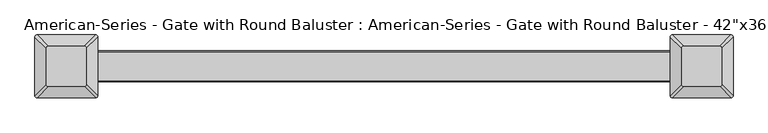
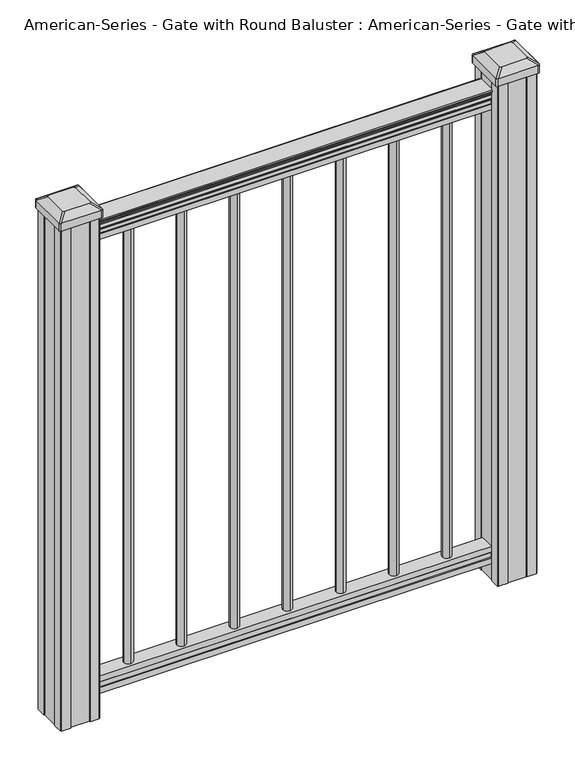
"""IFC4 building model written with IfcOpenShell, lengths in millimetres: proxy geometry."""

from ifc_helpers import new_model, si_unit, point, frame, frame_2d, origin, origin_2d, place, context, project, spatial, polyline, circle_curve, trimmed, segment, composite_curve, outline, extrude, source, transform, mapped, element, save
from ifc_brep_helpers import plane_surface, extruded_surface, advanced_brep


def proxy_5b96a057(model_context):
    return source(origin(), model_context, "Body", "SolidModel", [
        extrude(outline(composite_curve([segment(trimmed(circle_curve(frame_2d((222.25, 0.0)), 9.525), [point((222.25, 9.525))], [point((231.775, 0.0))], False, "CARTESIAN"), True, "CONTINUOUS"), segment(trimmed(circle_curve(frame_2d((222.25, 0.0)), 9.525), [point((231.775, 0.0))], [point((222.25, -9.525))], False, "CARTESIAN"), True, "CONTINUOUS"), segment(trimmed(circle_curve(frame_2d((222.25, 0.0)), 9.525), [point((222.25, -9.525))], [point((212.725, 0.0))], False, "CARTESIAN"), True, "CONTINUOUS"), segment(trimmed(circle_curve(frame_2d((222.25, 0.0)), 9.525), [point((212.725, 0.0))], [point((222.25, 9.525))], False, "CARTESIAN"), True, "CONTINUOUS")], self_intersect=False)), frame((0.0, 0.0, 101.6), z_axis=(0.0, 0.0, 1.0), x_axis=(1.0, 0.0, 0.0)), (0.0, 0.0, 1.0), 965.2),
        extrude(outline(composite_curve([segment(trimmed(circle_curve(frame_2d((111.125, 0.0)), 9.525), [point((111.125, 9.525))], [point((120.65, 0.0))], False, "CARTESIAN"), True, "CONTINUOUS"), segment(trimmed(circle_curve(frame_2d((111.125, 0.0)), 9.525), [point((120.65, 0.0))], [point((111.125, -9.525))], False, "CARTESIAN"), True, "CONTINUOUS"), segment(trimmed(circle_curve(frame_2d((111.125, 0.0)), 9.525), [point((111.125, -9.525))], [point((101.6, 0.0))], False, "CARTESIAN"), True, "CONTINUOUS"), segment(trimmed(circle_curve(frame_2d((111.125, 0.0)), 9.525), [point((101.6, 0.0))], [point((111.125, 9.525))], False, "CARTESIAN"), True, "CONTINUOUS")], self_intersect=False)), frame((0.0, 0.0, 101.6), z_axis=(0.0, 0.0, 1.0), x_axis=(1.0, 0.0, 0.0)), (0.0, 0.0, 1.0), 965.2),
        extrude(outline(composite_curve([segment(trimmed(circle_curve(origin_2d(), 9.525), [point((0.0, 9.525))], [point((9.525, 0.0))], False, "CARTESIAN"), True, "CONTINUOUS"), segment(trimmed(circle_curve(origin_2d(), 9.525), [point((9.525, 0.0))], [point((0.0, -9.525))], False, "CARTESIAN"), True, "CONTINUOUS"), segment(trimmed(circle_curve(origin_2d(), 9.525), [point((0.0, -9.525))], [point((-9.525, 0.0))], False, "CARTESIAN"), True, "CONTINUOUS"), segment(trimmed(circle_curve(origin_2d(), 9.525), [point((-9.525, 0.0))], [point((0.0, 9.525))], False, "CARTESIAN"), True, "CONTINUOUS")], self_intersect=False)), frame((0.0, 0.0, 101.6), z_axis=(0.0, 0.0, 1.0), x_axis=(1.0, 0.0, 0.0)), (0.0, 0.0, 1.0), 965.2),
        extrude(outline(composite_curve([segment(trimmed(circle_curve(frame_2d((-111.125, 0.0)), 9.525), [point((-111.125, 9.525))], [point((-101.6, 0.0))], False, "CARTESIAN"), True, "CONTINUOUS"), segment(trimmed(circle_curve(frame_2d((-111.125, 0.0)), 9.525), [point((-101.6, 0.0))], [point((-111.125, -9.525))], False, "CARTESIAN"), True, "CONTINUOUS"), segment(trimmed(circle_curve(frame_2d((-111.125, 0.0)), 9.525), [point((-111.125, -9.525))], [point((-120.65, 0.0))], False, "CARTESIAN"), True, "CONTINUOUS"), segment(trimmed(circle_curve(frame_2d((-111.125, 0.0)), 9.525), [point((-120.65, 0.0))], [point((-111.125, 9.525))], False, "CARTESIAN"), True, "CONTINUOUS")], self_intersect=False)), frame((0.0, 0.0, 101.6), z_axis=(0.0, 0.0, 1.0), x_axis=(1.0, 0.0, 0.0)), (0.0, 0.0, 1.0), 965.2),
        extrude(outline(composite_curve([segment(trimmed(circle_curve(frame_2d((-222.25, 0.0)), 9.525), [point((-222.25, 9.525))], [point((-212.725, 0.0))], False, "CARTESIAN"), True, "CONTINUOUS"), segment(trimmed(circle_curve(frame_2d((-222.25, 0.0)), 9.525), [point((-212.725, 0.0))], [point((-222.25, -9.525))], False, "CARTESIAN"), True, "CONTINUOUS"), segment(trimmed(circle_curve(frame_2d((-222.25, 0.0)), 9.525), [point((-222.25, -9.525))], [point((-231.775, 0.0))], False, "CARTESIAN"), True, "CONTINUOUS"), segment(trimmed(circle_curve(frame_2d((-222.25, 0.0)), 9.525), [point((-231.775, 0.0))], [point((-222.25, 9.525))], False, "CARTESIAN"), True, "CONTINUOUS")], self_intersect=False)), frame((0.0, 0.0, 101.6), z_axis=(0.0, 0.0, 1.0), x_axis=(1.0, 0.0, 0.0)), (0.0, 0.0, 1.0), 965.2),
        extrude(outline(composite_curve([segment(trimmed(circle_curve(frame_2d((333.375, 0.0)), 9.525), [point((333.375, 9.525))], [point((342.9, 0.0))], False, "CARTESIAN"), True, "CONTINUOUS"), segment(trimmed(circle_curve(frame_2d((333.375, 0.0)), 9.525), [point((342.9, 0.0))], [point((333.375, -9.525))], False, "CARTESIAN"), True, "CONTINUOUS"), segment(trimmed(circle_curve(frame_2d((333.375, 0.0)), 9.525), [point((333.375, -9.525))], [point((323.85, 0.0))], False, "CARTESIAN"), True, "CONTINUOUS"), segment(trimmed(circle_curve(frame_2d((333.375, 0.0)), 9.525), [point((323.85, 0.0))], [point((333.375, 9.525))], False, "CARTESIAN"), True, "CONTINUOUS")], self_intersect=False)), frame((0.0, 0.0, 101.6), z_axis=(0.0, 0.0, 1.0), x_axis=(1.0, 0.0, 0.0)), (0.0, 0.0, 1.0), 965.2),
        extrude(outline(composite_curve([segment(trimmed(circle_curve(frame_2d((-333.375, 0.0)), 9.525), [point((-333.375, 9.525))], [point((-323.85, 0.0))], False, "CARTESIAN"), True, "CONTINUOUS"), segment(trimmed(circle_curve(frame_2d((-333.375, 0.0)), 9.525), [point((-323.85, 0.0))], [point((-333.375, -9.525))], False, "CARTESIAN"), True, "CONTINUOUS"), segment(trimmed(circle_curve(frame_2d((-333.375, 0.0)), 9.525), [point((-333.375, -9.525))], [point((-342.9, 0.0))], False, "CARTESIAN"), True, "CONTINUOUS"), segment(trimmed(circle_curve(frame_2d((-333.375, 0.0)), 9.525), [point((-342.9, 0.0))], [point((-333.375, 9.525))], False, "CARTESIAN"), True, "CONTINUOUS")], self_intersect=False)), frame((0.0, 0.0, 101.6), z_axis=(0.0, 0.0, 1.0), x_axis=(1.0, 0.0, 0.0)), (0.0, 0.0, 1.0), 965.2),
        extrude(outline(composite_curve([segment(polyline([(1090.8043297, 17.4328287), (1092.692412, 17.4328287)]), True, "CONTINUOUS"), segment(trimmed(circle_curve(frame_2d((1098.4506383, 11.1180755)), 8.545951), [point((1092.692412, 17.4328287))], [point((1094.2546695, 18.563015))], False, "CARTESIAN"), True, "CONTINUOUS"), segment(trimmed(circle_curve(frame_2d((1097.8636577, 11.5551384)), 7.882584), [point((1094.2546695, 18.563015))], [point((1101.4726458, 18.563015))], False, "CARTESIAN"), True, "CONTINUOUS"), segment(trimmed(circle_curve(frame_2d((1103.7112527, 22.0684625)), 4.1592695), [point((1101.4726458, 18.563015))], [point((1103.9060812, 17.9137586))], True, "CARTESIAN"), True, "CONTINUOUS"), segment(trimmed(circle_curve(frame_2d((1103.6508864, 23.3557691)), 5.4479907), [point((1103.9060812, 17.9137586))], [point((1108.2362083, 20.4137586))], True, "CARTESIAN"), True, "CONTINUOUS"), segment(trimmed(circle_curve(frame_2d((1108.233395, 22.1226107)), 1.7088543), [point((1108.2362083, 20.4137586))], [point((1109.9157972, 21.8231011))], True, "CARTESIAN"), True, "CONTINUOUS"), segment(trimmed(circle_curve(frame_2d((1111.0205318, 20.5057106)), 1.7192895), [point((1109.9157972, 21.8231011))], [point((1111.0205318, 22.2250001))], False, "CARTESIAN"), True, "CONTINUOUS"), segment(polyline([(1111.0205318, 22.2250001), (1112.3608158, 22.225)]), True, "CONTINUOUS"), segment(trimmed(circle_curve(frame_2d((1112.3608158, 20.6715528)), 1.5534472), [point((1112.3608158, 22.225))], [point((1113.914263, 20.6715528))], False, "CARTESIAN"), True, "CONTINUOUS"), segment(polyline([(1113.914263, 20.6715528), (1113.914263, -20.6715528)]), True, "CONTINUOUS"), segment(trimmed(circle_curve(frame_2d((1112.3608158, -20.6715528)), 1.5534472), [point((1113.914263, -20.6715528))], [point((1112.3608158, -22.225))], False, "CARTESIAN"), True, "CONTINUOUS"), segment(polyline([(1112.3608158, -22.225), (1111.0205318, -22.225)]), True, "CONTINUOUS"), segment(trimmed(circle_curve(frame_2d((1111.0205318, -20.5057106)), 1.7192895), [point((1111.0205318, -22.225))], [point((1109.9157972, -21.8231011))], False, "CARTESIAN"), True, "CONTINUOUS"), segment(trimmed(circle_curve(frame_2d((1108.233395, -22.1226107)), 1.7088543), [point((1109.9157972, -21.8231011))], [point((1108.2362083, -20.4137586))], True, "CARTESIAN"), True, "CONTINUOUS"), segment(trimmed(circle_curve(frame_2d((1103.6508864, -23.3557691)), 5.4479907), [point((1108.2362083, -20.4137586))], [point((1103.9060812, -17.9137586))], True, "CARTESIAN"), True, "CONTINUOUS"), segment(trimmed(circle_curve(frame_2d((1103.7112527, -22.0684625)), 4.1592695), [point((1103.9060812, -17.9137586))], [point((1101.4726458, -18.563015))], True, "CARTESIAN"), True, "CONTINUOUS"), segment(trimmed(circle_curve(frame_2d((1097.8636577, -11.5551384)), 7.882584), [point((1101.4726458, -18.563015))], [point((1094.2546695, -18.563015))], False, "CARTESIAN"), True, "CONTINUOUS"), segment(trimmed(circle_curve(frame_2d((1098.4506383, -11.1180755)), 8.545951), [point((1094.2546695, -18.563015))], [point((1092.692412, -17.4328287))], False, "CARTESIAN"), True, "CONTINUOUS"), segment(polyline([(1092.692412, -17.4328287), (1090.8043297, -17.4328287)]), True, "CONTINUOUS"), segment(trimmed(circle_curve(frame_2d((1090.8043297, -16.1459144)), 1.2869144), [point((1090.8043297, -17.4328287))], [point((1090.8043297, -14.859))], False, "CARTESIAN"), True, "CONTINUOUS"), segment(polyline([(1090.8043297, -14.859), (1080.3048283, -14.859), (1079.2888283, -15.875), (1066.8, -15.875), (1066.8, 15.875), (1079.131013, 15.875), (1080.147013, 14.859), (1090.8043297, 14.859)]), True, "CONTINUOUS"), segment(trimmed(circle_curve(frame_2d((1090.8043297, 16.1459144)), 1.2869144), [point((1090.8043297, 14.859))], [point((1090.8043297, 17.4328287))], False, "CARTESIAN"), True, "CONTINUOUS")], self_intersect=False)), frame((457.2, 0.0, 0.0), z_axis=(-1.0, 0.0, 0.0), x_axis=(0.0, 0.0, 1.0)), (0.0, 0.0, 1.0), 914.4),
        extrude(outline(polyline([(-15.9124869, 76.0541976), (-14.8964869, 77.3546183), (-14.8964869, 87.7141717), (-15.9124869, 89.0624492), (-15.9124869, 101.5958781), (15.8375131, 101.5958781), (15.8375131, 89.0458024), (14.8215131, 87.6975248), (14.8215131, 77.3858283), (15.8375131, 76.0375508), (15.8375131, 63.5), (-15.9124869, 63.5), (-15.9124869, 76.0541976)])), frame((-457.2, 0.0, 0.0), z_axis=(1.0, 0.0, 0.0), x_axis=(0.0, 1.0, 0.0)), (0.0, 0.0, 1.0), 914.4),
        advanced_brep(
        [(431.403125, 28.971875, 1165.352), (428.228125, 25.796875, 1165.352), (428.228125, -25.796875, 1165.352), (431.403125, -28.971875, 1165.352), (482.996875, -28.971875, 1165.352), (486.171875, -25.796875, 1165.352), (486.171875, 25.796875, 1165.352), (482.996875, 28.971875, 1165.352), (415.13125, 45.24375, 1154.049), (499.26875, 45.24375, 1154.049), (502.44375, 42.06875, 1154.049), (502.44375, -42.06875, 1154.049), (499.26875, -45.24375, 1154.049), (415.13125, -45.24375, 1154.049), (411.95625, -42.06875, 1154.049), (411.95625, 42.06875, 1154.049)],
        [
            (0, 1, circle_curve(frame((431.403125, 25.796875, 1165.352), z_axis=(0.0, 0.0, 1.0), x_axis=(0.0, -1.0, 0.0)), 3.175)),
            (1, 2),
            (2, 3, circle_curve(frame((431.403125, -25.796875, 1165.352), z_axis=(0.0, 0.0, 1.0), x_axis=(0.0, -1.0, 0.0)), 3.175)),
            (3, 4),
            (4, 5, circle_curve(frame((482.996875, -25.796875, 1165.352), z_axis=(0.0, 0.0, 1.0), x_axis=(0.0, -1.0, 0.0)), 3.175)),
            (5, 6),
            (6, 7, circle_curve(frame((482.996875, 25.796875, 1165.352), z_axis=(0.0, 0.0, 1.0), x_axis=(0.0, -1.0, 0.0)), 3.175)),
            (7, 0),
            (8, 9),
            (9, 10, circle_curve(frame((499.26875, 42.06875, 1154.049), z_axis=(0.0, 0.0, -1.0), x_axis=(0.0, -1.0, 0.0)), 3.175)),
            (10, 11),
            (11, 12, circle_curve(frame((499.26875, -42.06875, 1154.049), z_axis=(0.0, 0.0, -1.0), x_axis=(0.0, -1.0, 0.0)), 3.175)),
            (12, 13),
            (13, 14, circle_curve(frame((415.13125, -42.06875, 1154.049), z_axis=(0.0, 0.0, -1.0), x_axis=(0.0, -1.0, 0.0)), 3.175)),
            (14, 15),
            (15, 8, circle_curve(frame((415.13125, 42.06875, 1154.049), z_axis=(0.0, 0.0, -1.0), x_axis=(0.0, -1.0, 0.0)), 3.175)),
            (15, 1),
            (0, 8),
            (14, 2),
            (13, 3),
            (12, 4),
            (11, 5),
            (10, 6),
            (9, 7),
        ],
        [
            plane_surface(frame((457.2, 0.0, 1165.352), z_axis=(0.0, 0.0, 1.0), x_axis=(-1.0, 0.0, 0.0))),
            plane_surface(frame((457.2, 0.0, 1154.049), z_axis=(0.0, 0.0, -1.0), x_axis=(-1.0, 0.0, 0.0))),
            extruded_surface(trimmed(circle_curve(frame((415.13125, 42.06875, 1154.049), z_axis=(0.0, 0.0, 1.0), x_axis=(0.0, -1.0, 0.0)), 3.175), [point((415.13125, 45.24375, 1154.049))], [point((411.95625, 42.06875, 1154.049))], True, "CARTESIAN"), (16.271874999999966, -16.271875, 11.303000000000111), 25.63797263886619),
            plane_surface(frame((411.95625, 0.0, 1154.049), z_axis=(-0.5705009161540777, 0.0, 0.8212969649690409), x_axis=(0.0, -1.0, 0.0))),
            extruded_surface(trimmed(circle_curve(frame((415.13125, -42.06875, 1154.049), z_axis=(0.0, 0.0, 1.0), x_axis=(0.0, -1.0, 0.0)), 3.175), [point((411.95625, -42.06875, 1154.049))], [point((415.13125, -45.24375, 1154.049))], True, "CARTESIAN"), (16.271874999999966, 16.271875, 11.303000000000111), 25.63797263886619),
            plane_surface(frame((457.2, -45.24375, 1154.049), z_axis=(0.0, -0.5705009161540291, 0.8212969649690747), x_axis=(1.0, 0.0, 0.0))),
            extruded_surface(trimmed(circle_curve(frame((499.26875, -42.06875, 1154.049), z_axis=(0.0, 0.0, 1.0), x_axis=(0.0, -1.0, 0.0)), 3.175), [point((499.26875, -45.24375, 1154.049))], [point((502.44375, -42.06875, 1154.049))], True, "CARTESIAN"), (-16.271875000000023, 16.271875, 11.303000000000111), 25.637972638866227),
            plane_surface(frame((502.44375, 0.0, 1154.049), z_axis=(0.5705009161540143, 0.0, 0.821296964969085), x_axis=(0.0, 1.0, 0.0))),
            extruded_surface(trimmed(circle_curve(frame((499.26875, 42.06875, 1154.049), z_axis=(0.0, 0.0, 1.0), x_axis=(0.0, -1.0, 0.0)), 3.175), [point((502.44375, 42.06875, 1154.049))], [point((499.26875, 45.24375, 1154.049))], True, "CARTESIAN"), (-16.271875000000023, -16.271875, 11.303000000000111), 25.637972638866227),
            plane_surface(frame((457.2, 45.24375, 1154.049), z_axis=(0.0, 0.570500916154034, 0.8212969649690713), x_axis=(-1.0, 0.0, 0.0))),
        ],
        [
            (0, [[1, 2, 3, 4, 5, 6, 7, 8]]),
            (1, [[9, 10, 11, 12, 13, 14, 15, 16]]),
            (2, [[-16, 17, -1, 18]]),
            (3, [[-15, 19, -2, -17]]),
            (4, [[-14, 20, -3, -19]]),
            (5, [[-13, 21, -4, -20]]),
            (6, [[-12, 22, -5, -21]]),
            (7, [[-11, 23, -6, -22]]),
            (8, [[-10, 24, -7, -23]]),
            (9, [[-9, -18, -8, -24]]),
        ],
    ),
        extrude(outline(composite_curve([segment(polyline([(415.13125, 45.24375), (499.26875, 45.24375)]), True, "CONTINUOUS"), segment(trimmed(circle_curve(frame_2d((499.26875, 42.06875)), 3.175), [point((499.26875, 45.24375))], [point((502.44375, 42.06875))], False, "CARTESIAN"), True, "CONTINUOUS"), segment(polyline([(502.44375, 42.06875), (502.44375, -42.06875)]), True, "CONTINUOUS"), segment(trimmed(circle_curve(frame_2d((499.26875, -42.06875)), 3.175), [point((502.44375, -42.06875))], [point((499.26875, -45.24375))], False, "CARTESIAN"), True, "CONTINUOUS"), segment(polyline([(499.26875, -45.24375), (415.13125, -45.24375)]), True, "CONTINUOUS"), segment(trimmed(circle_curve(frame_2d((415.13125, -42.06875)), 3.175), [point((415.13125, -45.24375))], [point((411.95625, -42.06875))], False, "CARTESIAN"), True, "CONTINUOUS"), segment(polyline([(411.95625, -42.06875), (411.95625, 42.06875)]), True, "CONTINUOUS"), segment(trimmed(circle_curve(frame_2d((415.13125, 42.06875)), 3.175), [point((411.95625, 42.06875))], [point((415.13125, 45.24375))], False, "CARTESIAN"), True, "CONTINUOUS")], self_intersect=False)), frame((0.0, 0.0, 1136.777), z_axis=(0.0, 0.0, 1.0), x_axis=(1.0, 0.0, 0.0)), (0.0, 0.0, 1.0), 17.272),
        extrude(outline(polyline([(417.5125, 41.275), (437.134, 41.275), (437.896, 39.6875), (476.504, 39.6875), (477.266, 41.275), (496.8875, 41.275), (498.475, 39.6875), (498.475, 20.066), (496.8875, 19.304), (496.8875, -19.304), (498.475, -20.066), (498.475, -39.6875), (496.8875, -41.275), (477.266, -41.275), (476.504, -39.6875), (437.896, -39.6875), (437.134, -41.275), (417.5125, -41.275), (415.925, -39.6875), (415.925, -20.066), (417.5125, -19.304), (417.5125, 19.304), (415.925, 20.066), (415.925, 39.6875), (417.5125, 41.275)])), frame((0.0, 0.0, 28.702), z_axis=(0.0, 0.0, 1.0), x_axis=(1.0, 0.0, 0.0)), (0.0, 0.0, 1.0), 1108.075),
        advanced_brep(
        [(-482.996875, 28.971875, 1165.352), (-486.171875, 25.796875, 1165.352), (-486.171875, -25.796875, 1165.352), (-482.996875, -28.971875, 1165.352), (-431.403125, -28.971875, 1165.352), (-428.228125, -25.796875, 1165.352), (-428.228125, 25.796875, 1165.352), (-431.403125, 28.971875, 1165.352), (-499.26875, 45.24375, 1154.049), (-415.13125, 45.24375, 1154.049), (-411.95625, 42.06875, 1154.049), (-411.95625, -42.06875, 1154.049), (-415.13125, -45.24375, 1154.049), (-499.26875, -45.24375, 1154.049), (-502.44375, -42.06875, 1154.049), (-502.44375, 42.06875, 1154.049)],
        [
            (0, 1, circle_curve(frame((-482.996875, 25.796875, 1165.352), z_axis=(0.0, 0.0, 1.0), x_axis=(0.0, -1.0, 0.0)), 3.175)),
            (1, 2),
            (2, 3, circle_curve(frame((-482.996875, -25.796875, 1165.352), z_axis=(0.0, 0.0, 1.0), x_axis=(0.0, -1.0, 0.0)), 3.175)),
            (3, 4),
            (4, 5, circle_curve(frame((-431.403125, -25.796875, 1165.352), z_axis=(0.0, 0.0, 1.0), x_axis=(0.0, -1.0, 0.0)), 3.175)),
            (5, 6),
            (6, 7, circle_curve(frame((-431.403125, 25.796875, 1165.352), z_axis=(0.0, 0.0, 1.0), x_axis=(0.0, -1.0, 0.0)), 3.175)),
            (7, 0),
            (8, 9),
            (9, 10, circle_curve(frame((-415.13125, 42.06875, 1154.049), z_axis=(0.0, 0.0, -1.0), x_axis=(0.0, -1.0, 0.0)), 3.175)),
            (10, 11),
            (11, 12, circle_curve(frame((-415.13125, -42.06875, 1154.049), z_axis=(0.0, 0.0, -1.0), x_axis=(0.0, -1.0, 0.0)), 3.175)),
            (12, 13),
            (13, 14, circle_curve(frame((-499.26875, -42.06875, 1154.049), z_axis=(0.0, 0.0, -1.0), x_axis=(0.0, -1.0, 0.0)), 3.175)),
            (14, 15),
            (15, 8, circle_curve(frame((-499.26875, 42.06875, 1154.049), z_axis=(0.0, 0.0, -1.0), x_axis=(0.0, -1.0, 0.0)), 3.175)),
            (15, 1),
            (0, 8),
            (14, 2),
            (13, 3),
            (12, 4),
            (11, 5),
            (10, 6),
            (9, 7),
        ],
        [
            plane_surface(frame((-457.2, 0.0, 1165.352), z_axis=(0.0, 0.0, 1.0), x_axis=(-1.0, 0.0, 0.0))),
            plane_surface(frame((-457.2, 0.0, 1154.049), z_axis=(0.0, 0.0, -1.0), x_axis=(-1.0, 0.0, 0.0))),
            extruded_surface(trimmed(circle_curve(frame((-499.26875, 42.06875, 1154.049), z_axis=(0.0, 0.0, 1.0), x_axis=(0.0, -1.0, 0.0)), 3.175), [point((-499.26875, 45.24375, 1154.049))], [point((-502.44375, 42.06875, 1154.049))], True, "CARTESIAN"), (16.271875000000023, -16.271875, 11.303000000000111), 25.637972638866227),
            plane_surface(frame((-502.44375, 0.0, 1154.049), z_axis=(-0.5705009161540777, 0.0, 0.8212969649690409), x_axis=(0.0, -1.0, 0.0))),
            extruded_surface(trimmed(circle_curve(frame((-499.26875, -42.06875, 1154.049), z_axis=(0.0, 0.0, 1.0), x_axis=(0.0, -1.0, 0.0)), 3.175), [point((-502.44375, -42.06875, 1154.049))], [point((-499.26875, -45.24375, 1154.049))], True, "CARTESIAN"), (16.271875000000023, 16.271875, 11.303000000000111), 25.637972638866227),
            plane_surface(frame((-457.2, -45.24375, 1154.049), z_axis=(0.0, -0.5705009161540291, 0.8212969649690747), x_axis=(1.0, 0.0, 0.0))),
            extruded_surface(trimmed(circle_curve(frame((-415.13125, -42.06875, 1154.049), z_axis=(0.0, 0.0, 1.0), x_axis=(0.0, -1.0, 0.0)), 3.175), [point((-415.13125, -45.24375, 1154.049))], [point((-411.95625, -42.06875, 1154.049))], True, "CARTESIAN"), (-16.271874999999966, 16.271875, 11.303000000000111), 25.63797263886619),
            plane_surface(frame((-411.95625, 0.0, 1154.049), z_axis=(0.5705009161540143, 0.0, 0.821296964969085), x_axis=(0.0, 1.0, 0.0))),
            extruded_surface(trimmed(circle_curve(frame((-415.13125, 42.06875, 1154.049), z_axis=(0.0, 0.0, 1.0), x_axis=(0.0, -1.0, 0.0)), 3.175), [point((-411.95625, 42.06875, 1154.049))], [point((-415.13125, 45.24375, 1154.049))], True, "CARTESIAN"), (-16.271874999999966, -16.271875, 11.303000000000111), 25.63797263886619),
            plane_surface(frame((-457.2, 45.24375, 1154.049), z_axis=(0.0, 0.570500916154034, 0.8212969649690713), x_axis=(-1.0, 0.0, 0.0))),
        ],
        [
            (0, [[1, 2, 3, 4, 5, 6, 7, 8]]),
            (1, [[9, 10, 11, 12, 13, 14, 15, 16]]),
            (2, [[-16, 17, -1, 18]]),
            (3, [[-15, 19, -2, -17]]),
            (4, [[-14, 20, -3, -19]]),
            (5, [[-13, 21, -4, -20]]),
            (6, [[-12, 22, -5, -21]]),
            (7, [[-11, 23, -6, -22]]),
            (8, [[-10, 24, -7, -23]]),
            (9, [[-9, -18, -8, -24]]),
        ],
    ),
        extrude(outline(composite_curve([segment(polyline([(-499.26875, 45.24375), (-415.13125, 45.24375)]), True, "CONTINUOUS"), segment(trimmed(circle_curve(frame_2d((-415.13125, 42.06875)), 3.175), [point((-415.13125, 45.24375))], [point((-411.95625, 42.06875))], False, "CARTESIAN"), True, "CONTINUOUS"), segment(polyline([(-411.95625, 42.06875), (-411.95625, -42.06875)]), True, "CONTINUOUS"), segment(trimmed(circle_curve(frame_2d((-415.13125, -42.06875)), 3.175), [point((-411.95625, -42.06875))], [point((-415.13125, -45.24375))], False, "CARTESIAN"), True, "CONTINUOUS"), segment(polyline([(-415.13125, -45.24375), (-499.26875, -45.24375)]), True, "CONTINUOUS"), segment(trimmed(circle_curve(frame_2d((-499.26875, -42.06875)), 3.175), [point((-499.26875, -45.24375))], [point((-502.44375, -42.06875))], False, "CARTESIAN"), True, "CONTINUOUS"), segment(polyline([(-502.44375, -42.06875), (-502.44375, 42.06875)]), True, "CONTINUOUS"), segment(trimmed(circle_curve(frame_2d((-499.26875, 42.06875)), 3.175), [point((-502.44375, 42.06875))], [point((-499.26875, 45.24375))], False, "CARTESIAN"), True, "CONTINUOUS")], self_intersect=False)), frame((0.0, 0.0, 1136.777), z_axis=(0.0, 0.0, 1.0), x_axis=(1.0, 0.0, 0.0)), (0.0, 0.0, 1.0), 17.272),
        extrude(outline(polyline([(-496.8875, 41.275), (-477.266, 41.275), (-476.504, 39.6875), (-437.896, 39.6875), (-437.134, 41.275), (-417.5125, 41.275), (-415.925, 39.6875), (-415.925, 20.066), (-417.5125, 19.304), (-417.5125, -19.304), (-415.925, -20.066), (-415.925, -39.6875), (-417.5125, -41.275), (-437.134, -41.275), (-437.896, -39.6875), (-476.504, -39.6875), (-477.266, -41.275), (-496.8875, -41.275), (-498.475, -39.6875), (-498.475, -20.066), (-496.8875, -19.304), (-496.8875, 19.304), (-498.475, 20.066), (-498.475, 39.6875), (-496.8875, 41.275)])), frame((0.0, 0.0, 28.702), z_axis=(0.0, 0.0, 1.0), x_axis=(1.0, 0.0, 0.0)), (0.0, 0.0, 1.0), 1108.075),
    ])


if __name__ == "__main__":
    model = new_model("IFC4")
    model_context = context("Model", 3, world=origin())
    ifc_project = project(units=[si_unit("LENGTHUNIT", "METRE", prefix="MILLI")], contexts=[model_context])
    site = spatial("IfcSite", under=ifc_project)
    building = spatial("IfcBuilding", under=site)
    placement = place(None, origin())
    proxy_shape = proxy_5b96a057(model_context)
    element("IfcBuildingElementProxy", 1, Name="American-Series - Gate with Round Baluster : American-Series - Gate with Round Baluster - 42\"x36\"", ObjectType="American-Series - Gate with Round Baluster : American-Series - Gate with Round Baluster - 42\"x36\"", at=placement, inside=building, context=model_context, shape_type="MappedRepresentation", body=[
        mapped(proxy_shape, transform((0.0, 0.0, 0.0), x_axis=(1.0, 0.0, 0.0), y_axis=(0.0, 1.0, 0.0), z_axis=(0.0, 0.0, 1.0))),
    ])
    save(model, "model.ifc")
